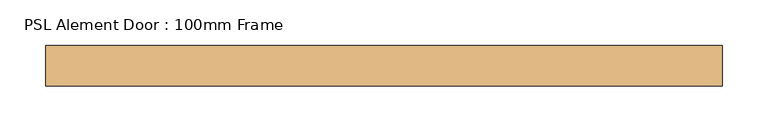
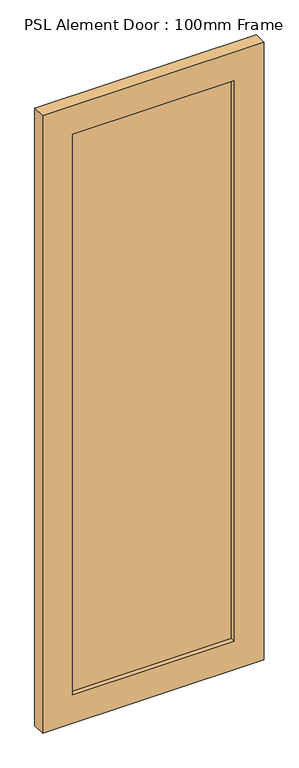
"""IFC4 building model written with IfcOpenShell, lengths in millimetres: door geometry, PSL Alement Door : 100mm Frame."""

from ifc_helpers import new_model, si_unit, frame, origin, place, context, project, spatial, polyline, outline, extrude, source, transform, mapped, element, save


def psl_alement_door_100mm_frame_54b2bc0a(model_context):
    return source(origin(), model_context, "Body", "SweptSolid", [
        extrude(outline(polyline([(269.5, -6.0), (-269.5, -6.0), (-269.5, 6.0), (269.5, 6.0), (269.5, -6.0)])), frame((0.0, 0.0, 100.0), z_axis=(0.0, 0.0, 1.0), x_axis=(1.0, 0.0, 0.0)), (0.0, 0.0, 1.0), 1974.0),
        extrude(outline(polyline([(0.0, -369.5), (0.0, 369.5), (2174.0, 369.5), (2174.0, -369.5), (0.0, -369.5)]), holes=[polyline([(2074.0, 269.5), (100.0, 269.5), (100.0, -269.5), (2074.0, -269.5), (2074.0, 269.5)])]), frame((0.0, -22.0, 0.0), z_axis=(0.0, 1.0, 0.0), x_axis=(0.0, 0.0, 1.0)), (0.0, 0.0, 1.0), 44.0),
    ])


if __name__ == "__main__":
    model = new_model("IFC4")
    model_context = context("Model", 3, world=origin())
    ifc_project = project(units=[si_unit("LENGTHUNIT", "METRE", prefix="MILLI")], contexts=[model_context])
    site = spatial("IfcSite", under=ifc_project)
    building = spatial("IfcBuilding", under=site)
    placement = place(None, origin())
    psl_alement_door_100mm_frame_shape = psl_alement_door_100mm_frame_54b2bc0a(model_context)
    element("IfcDoor", 1, ObjectType="PSL Alement Door : 100mm Frame", at=placement, inside=building, context=model_context, shape_type="MappedRepresentation", body=[
        mapped(psl_alement_door_100mm_frame_shape, transform((0.0, 0.0, 0.0), x_axis=(1.0, 0.0, 0.0), y_axis=(0.0, 1.0, 0.0), z_axis=(0.0, 0.0, 1.0))),
    ])
    save(model, "model.ifc")
